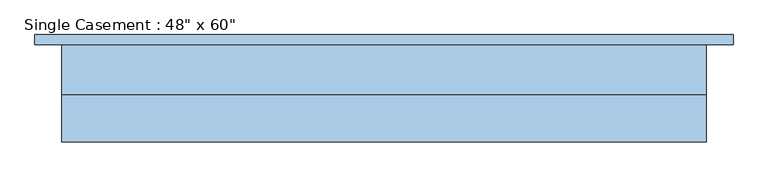
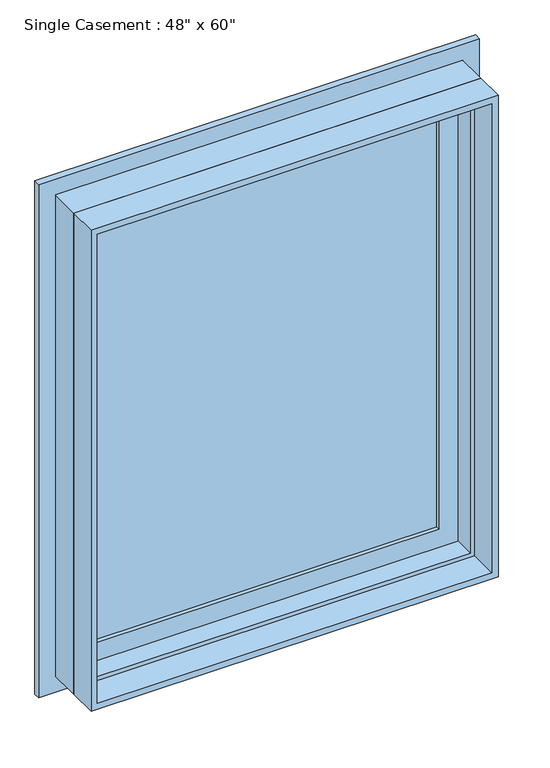
"""IFC4 building model written with IfcOpenShell, lengths in millimetres: window geometry."""

from ifc_helpers import new_model, si_unit, frame, origin, place, context, project, spatial, polyline, outline, extrude, faceted_brep, source, transform, mapped, element, save


def window_b0a2e9c0(model_context):
    return source(origin(), model_context, "Body", "SolidModel", [
        extrude(outline(polyline([(863.6, 660.4), (2489.2, 660.4), (2489.2, -660.4), (863.6, -660.4), (863.6, 660.4)]), holes=[polyline([(914.4, 609.6), (914.4, -609.6), (2438.4, -609.6), (2438.4, 609.6), (914.4, 609.6)])]), frame((0.0, 92.075, 0.0), z_axis=(0.0, 1.0, 0.0), x_axis=(0.0, 0.0, 1.0)), (0.0, 0.0, 1.0), 19.05),
        extrude(outline(polyline([(520.7, 92.075), (520.7, 85.725), (-520.7, 85.725), (-520.7, 92.075), (520.7, 92.075)])), frame((0.0, 0.0, 1003.3), z_axis=(0.0, 0.0, 1.0), x_axis=(1.0, 0.0, 0.0)), (0.0, 0.0, 1.0), 1346.2),
        extrude(outline(polyline([(-520.7, 73.025), (-520.7, 79.375), (520.7, 79.375), (520.7, 73.025), (-520.7, 73.025)])), frame((0.0, 0.0, 1003.3), z_axis=(0.0, 0.0, 1.0), x_axis=(1.0, 0.0, 0.0)), (0.0, 0.0, 1.0), 1346.2),
        extrude(outline(polyline([(2425.7, -596.9), (927.1, -596.9), (927.1, 596.9), (2425.7, 596.9), (2425.7, -596.9)]), holes=[polyline([(2349.5, 520.7), (1003.3, 520.7), (1003.3, -520.7), (2349.5, -520.7), (2349.5, 520.7)])]), frame((0.0, 60.325, 0.0), z_axis=(0.0, 1.0, 0.0), x_axis=(0.0, 0.0, 1.0)), (0.0, 0.0, 1.0), 44.45),
        extrude(outline(polyline([(2438.4, -609.6), (914.4, -609.6), (914.4, 609.6), (2438.4, 609.6), (2438.4, -609.6)]), holes=[polyline([(2419.35, 590.55), (933.45, 590.55), (933.45, -590.55), (2419.35, -590.55), (2419.35, 590.55)])]), frame((0.0, -92.075, 0.0), z_axis=(0.0, 1.0, 0.0), x_axis=(0.0, 0.0, 1.0)), (0.0, 0.0, 1.0), 88.9),
        faceted_brep([(577.85, 60.325, 2406.65), (577.85, -3.175, 2406.65), (-577.85, -3.175, 2406.65), (-577.85, 60.325, 2406.65), (596.9, 111.125, 2425.7), (596.9, 60.325, 2425.7), (-596.9, 60.325, 2425.7), (-596.9, 111.125, 2425.7), (609.6, -3.175, 2438.4), (609.6, 111.125, 2438.4), (-609.6, 111.125, 2438.4), (-609.6, -3.175, 2438.4), (-577.85, -3.175, 946.15), (-577.85, 60.325, 946.15), (-596.9, 60.325, 927.1), (-596.9, 111.125, 927.1), (-609.6, 111.125, 914.4), (-609.6, -3.175, 914.4), (577.85, -3.175, 946.15), (577.85, 60.325, 946.15), (596.9, 60.325, 927.1), (596.9, 111.125, 927.1), (609.6, 111.125, 914.4), (609.6, -3.175, 914.4)], [[[0, 1, 2, 3]], [[4, 5, 6, 7]], [[8, 9, 10, 11]], [[3, 2, 12, 13]], [[7, 6, 14, 15]], [[11, 10, 16, 17]], [[13, 12, 18, 19]], [[15, 14, 20, 21]], [[17, 16, 22, 23]], [[11, 17, 23, 8], [1, 18, 12, 2]], [[19, 18, 1, 0]], [[5, 20, 14, 6], [3, 13, 19, 0]], [[21, 20, 5, 4]], [[23, 22, 9, 8]], [[9, 22, 16, 10], [7, 15, 21, 4]]]),
    ])


if __name__ == "__main__":
    model = new_model("IFC4")
    model_context = context("Model", 3, world=origin())
    ifc_project = project(units=[si_unit("LENGTHUNIT", "METRE", prefix="MILLI")], contexts=[model_context])
    site = spatial("IfcSite", under=ifc_project)
    building = spatial("IfcBuilding", under=site)
    placement = place(None, origin())
    window_shape = window_b0a2e9c0(model_context)
    element("IfcWindow", 1, ObjectType="Single Casement : 48\" x 60\"", at=placement, inside=building, context=model_context, shape_type="MappedRepresentation", body=[
        mapped(window_shape, transform((0.0, 0.0, 0.0), x_axis=(1.0, 0.0, 0.0), y_axis=(0.0, 1.0, 0.0), z_axis=(0.0, 0.0, 1.0))),
    ])
    save(model, "model.ifc")
